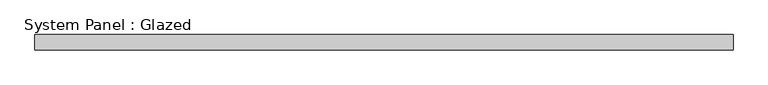
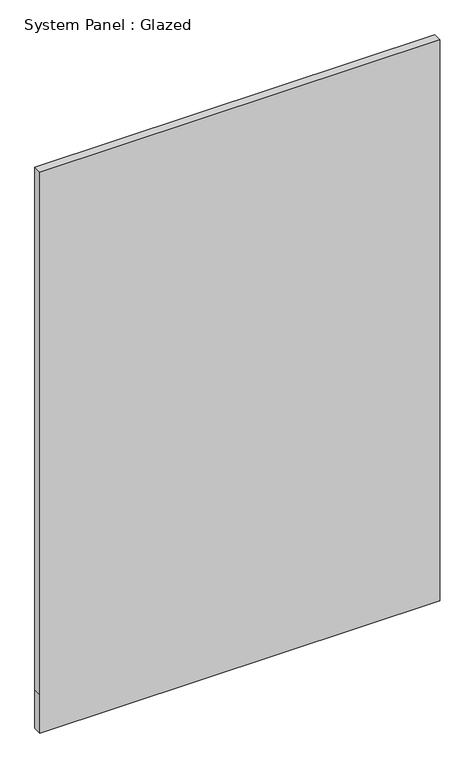
"""IFC4 building model written with IfcOpenShell, lengths in millimetres: plate geometry, System Panel : Glazed."""

from ifc_helpers import new_model, si_unit, frame, origin, place, context, project, spatial, polyline, outline, extrude, source, transform, mapped, element, save


def system_panel_glazed_af4371c2(model_context):
    return source(origin(), model_context, "Body", "SweptSolid", [
        extrude(outline(polyline([(0.0, -570.0), (0.0, 570.0), (115.0, 570.0), (1690.0, 570.0), (1690.0, -570.0), (115.0, -570.0), (0.0, -570.0)])), frame((0.0, -49.5, 0.0), z_axis=(0.0, 1.0, 0.0), x_axis=(0.0, 0.0, 1.0)), (0.0, 0.0, 1.0), 25.0),
    ])


if __name__ == "__main__":
    model = new_model("IFC4")
    model_context = context("Model", 3, world=origin())
    ifc_project = project(units=[si_unit("LENGTHUNIT", "METRE", prefix="MILLI")], contexts=[model_context])
    site = spatial("IfcSite", under=ifc_project)
    building = spatial("IfcBuilding", under=site)
    placement = place(None, origin())
    system_panel_glazed_shape = system_panel_glazed_af4371c2(model_context)
    element("IfcPlate", 1, ObjectType="System Panel : Glazed", at=placement, inside=building, context=model_context, shape_type="MappedRepresentation", body=[
        mapped(system_panel_glazed_shape, transform((0.0, 0.0, 0.0), x_axis=(1.0, 0.0, 0.0), y_axis=(0.0, 1.0, 0.0), z_axis=(0.0, 0.0, 1.0))),
    ])
    save(model, "model.ifc")
